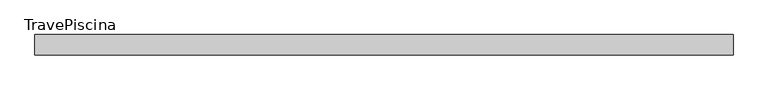
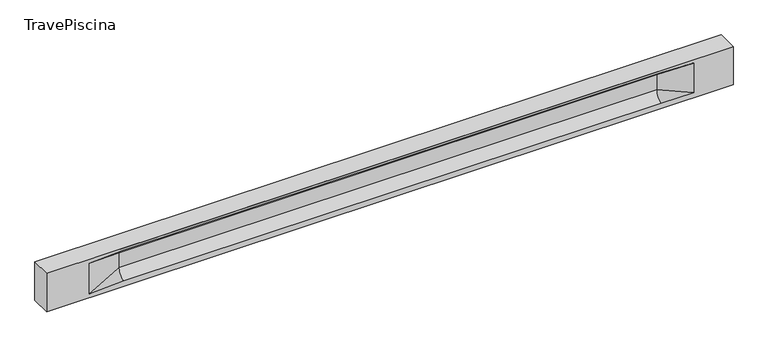
"""IFC4 building model written with IfcOpenShell, lengths in millimetres: beam geometry, TravePiscina."""

from ifc_helpers import new_model, si_unit, frame, origin, place, context, project, spatial, polyline, circle_curve, source, transform, mapped, element, save
from ifc_brep_helpers import plane_surface, revolved_surface, spline_surface, advanced_brep


def travepiscina_2fc32cc6(model_context):
    return source(origin(), model_context, "Body", "AdvancedBrep", [
        advanced_brep(
        [(8480.5, -250.0, 500.0), (8480.5, -250.0, -500.0), (8480.5, 250.0, -500.0), (8480.5, 250.0, 500.0), (-8480.5, -250.0, 500.0), (-8480.5, -250.0, -500.0), (7505.5, -250.0, -362.0), (6705.5, -250.0, -360.0), (-6580.5, -250.0, -360.0), (-7430.5, -250.0, -400.0), (-7430.5, -250.0, 400.0), (-6580.5, -250.0, 435.0), (6705.5, -250.0, 435.0), (7505.5, -250.0, 400.0), (-8480.5, 250.0, -500.0), (-8480.5, 250.0, 500.0), (7505.5, 250.0, 400.0), (6705.5, 250.0, 435.0), (-6580.5, 250.0, 435.0), (-7430.5, 250.0, 400.0), (-7430.5, 250.0, -400.0), (-6580.5, 250.0, -360.0), (6705.5, 250.0, -360.0), (7505.5, 250.0, -362.0), (6705.5, 155.0, 405.0), (-6580.5, 155.0, 405.0), (-6580.5, -60.0, 262.777021), (6705.5, -60.0, 262.777021), (6705.5, -155.0, 405.0), (-6580.5, -155.0, 405.0), (-6580.5, 60.0, 262.777021), (6705.5, 60.0, 262.777021), (6705.5, 60.0, -120.0), (-6580.5, 60.0, -120.0), (-6580.5, -60.0, -120.0), (6705.5, -60.0, -120.0)],
        [
            (0, 1),
            (1, 2),
            (2, 3),
            (3, 0),
            (0, 4),
            (4, 5),
            (5, 1),
            (6, 7),
            (7, 8),
            (8, 9),
            (9, 10),
            (10, 11),
            (11, 12),
            (12, 13),
            (13, 6),
            (5, 14),
            (14, 2),
            (14, 15),
            (15, 3),
            (16, 17),
            (17, 18),
            (18, 19),
            (19, 20),
            (20, 21),
            (21, 22),
            (22, 23),
            (23, 16),
            (15, 4),
            (17, 24),
            (24, 25),
            (25, 18),
            (26, 27),
            (27, 28, circle_curve(frame((6705.5, -213.9598725, 262.777021), z_axis=(1.0, 0.0, 0.0), x_axis=(0.0, 1.0, 0.0)), 153.9598725)),
            (28, 29),
            (29, 26, circle_curve(frame((-6580.5, -213.9598725, 262.777021), z_axis=(-1.0, 0.0, 0.0), x_axis=(0.0, 1.0, 0.0)), 153.9598725)),
            (30, 31),
            (31, 32),
            (32, 33),
            (33, 30),
            (28, 12),
            (11, 29),
            (34, 35),
            (35, 27),
            (26, 34),
            (25, 19),
            (22, 32, circle_curve(frame((6705.5, 306.5789474, -120.0), z_axis=(-1.0, 0.0, 0.0), x_axis=(0.0, 1.0, 0.0)), 246.5789474)),
            (32, 23),
            (10, 29),
            (10, 26),
            (13, 28),
            (27, 13),
            (30, 19),
            (25, 30, circle_curve(frame((-6580.5, 213.9598725, 262.777021), z_axis=(1.0, 0.0, 0.0), x_axis=(0.0, 1.0, 0.0)), 153.9598725)),
            (9, 34),
            (8, 34, circle_curve(frame((-6580.5, -306.5789474, -120.0), z_axis=(1.0, 0.0, 0.0), x_axis=(0.0, 1.0, 0.0)), 246.5789474)),
            (20, 33),
            (33, 21, circle_curve(frame((-6580.5, 306.5789474, -120.0), z_axis=(1.0, 0.0, 0.0), x_axis=(0.0, 1.0, 0.0)), 246.5789474)),
            (35, 6),
            (35, 7, circle_curve(frame((6705.5, -306.5789474, -120.0), z_axis=(-1.0, 0.0, 0.0), x_axis=(0.0, 1.0, 0.0)), 246.5789474)),
            (31, 16),
            (31, 24, circle_curve(frame((6705.5, 213.9598725, 262.777021), z_axis=(-1.0, 0.0, 0.0), x_axis=(0.0, 1.0, 0.0)), 153.9598725)),
            (24, 16),
        ],
        [
            plane_surface(frame((8480.5, 0.0, 0.0), z_axis=(1.0, 0.0, 0.0), x_axis=(0.0, 0.0, 1.0))),
            plane_surface(frame((8480.5, -250.0, 500.0), z_axis=(0.0, -1.0, 0.0), x_axis=(-1.0, 0.0, 0.0))),
            plane_surface(frame((8480.5, -250.0, -500.0), z_axis=(0.0, 0.0, -1.0), x_axis=(-1.0, 0.0, 0.0))),
            plane_surface(frame((8480.5, 250.0, -500.0), z_axis=(0.0, 1.0, 0.0), x_axis=(-1.0, 0.0, 0.0))),
            plane_surface(frame((8480.5, 250.0, 500.0), z_axis=(0.0, 0.0, 1.0), x_axis=(-1.0, 0.0, 0.0))),
            plane_surface(frame((-6580.5, 250.0, 435.0), z_axis=(0.0, 0.30113136793710954, -0.9535826651341378), x_axis=(1.0, 0.0, 0.0))),
            plane_surface(frame((-8480.5, 0.0, 0.0), z_axis=(-1.0, 0.0, 0.0), x_axis=(0.0, 0.0, 1.0))),
            revolved_surface(polyline([(6705.5, -60.0, 262.777021), (-6580.5, -60.0, 262.777021)]), (-6580.5, -213.9598725, 262.777021), (1.0, 0.0, 0.0)),
            plane_surface(frame((-6580.5, 60.0, 262.777021), z_axis=(0.0, 1.0, 0.0), x_axis=(1.0, 0.0, 0.0))),
            plane_surface(frame((-6580.5, -155.0, 405.0), z_axis=(0.0, -0.30113136793710693, -0.9535826651341387), x_axis=(1.0, 0.0, 0.0))),
            plane_surface(frame((-6580.5, -60.0, -120.0), z_axis=(0.0, -1.0, 0.0), x_axis=(1.0, 0.0, 0.0))),
            plane_surface(frame((-7430.5, 250.0, 400.0), z_axis=(0.03923493491469455, 0.30089950084952793, -0.9528484193567961), x_axis=(0.0, 0.9535826651341378, 0.30113136793710954))),
            spline_surface(2, 1, [[(6705.5, 250.0, -360.0), (7505.5, 250.0, -362.0)], [(6705.5, 60.00000002887427, -315.20833329480604), (7505.5, 250.0, -362.0)], [(6705.5, 60.0, -120.0), (7505.5, 250.0, -362.0)]], [3, 3], [2, 2], [0.0, 1.0], [0.0, 1.0], weights=[[1.0, 1.0], [0.7840458245391329, 0.7840458245391329], [1.0, 1.0]]),
            plane_surface(frame((-7430.5, -250.0, 400.0), z_axis=(0.039234934914694576, -0.3008995008495253, -0.952848419356797), x_axis=(0.0, 0.9535826651341387, -0.30113136793710693))),
            spline_surface(2, 1, [[(-7430.5, -250.0, 400.0), (-6580.5, -155.0, 405.0)], [(-7430.5, -250.0, 400.0), (-6580.5, -60.00000008030692, 365.6168572114734)], [(-7430.5, -250.0, 400.0), (-6580.5, -60.0, 262.777021)]], [3, 3], [2, 2], [0.0, 1.0], [0.0, 1.0], weights=[[1.0, 1.0], [0.8315515924557569, 0.8315515924557569], [1.0, 1.0]]),
            spline_surface(2, 1, [[(6705.5, -155.0, 405.0), (7505.5, -250.0, 400.0)], [(6705.5, -60.00000008030692, 365.6168572114734), (7505.5, -250.0, 400.0)], [(6705.5, -60.0, 262.777021), (7505.5, -250.0, 400.0)]], [3, 3], [2, 2], [0.0, 1.0], [0.0, 1.0], weights=[[1.0, 1.0], [0.8315515924557569, 0.8315515924557569], [1.0, 1.0]]),
            plane_surface(frame((6705.5, -202.5, 420.0), z_axis=(-0.041682982855687514, -0.30086965068766125, -0.9527538938442274), x_axis=(0.0, 0.9535826651341387, -0.30113136793710693))),
            spline_surface(2, 1, [[(-7430.5, 250.0, 400.0), (-6580.5, 60.0, 262.777021)], [(-7430.5, 250.0, 400.0), (-6580.5, 59.99999995452379, 365.6168572954922)], [(-7430.5, 250.0, 400.0), (-6580.5, 155.0, 405.0)]], [3, 3], [2, 2], [0.0, 1.0], [0.0, 1.0], weights=[[1.0, 1.0], [0.8315515921160737, 0.8315515921160737], [1.0, 1.0]]),
            plane_surface(frame((-7430.5, -250.0, 0.0), z_axis=(0.21814596370705333, -0.9759161534262669, 0.0), x_axis=(0.0, 0.0, -1.0))),
            spline_surface(2, 1, [[(-7430.5, -250.0, -400.0), (-6580.5, -60.0, -120.0)], [(-7430.5, -250.0, -400.0), (-6580.5, -59.99999998020837, -315.20833333333337)], [(-7430.5, -250.0, -400.0), (-6580.5, -250.0, -360.0)]], [3, 3], [2, 2], [0.0, 1.0], [0.0, 1.0], weights=[[1.0, 1.0], [0.7840458244617614, 0.7840458244617614], [1.0, 1.0]]),
            spline_surface(2, 1, [[(-7430.5, 250.0, -400.0), (-6580.5, 250.0, -360.0)], [(-7430.5, 250.0, -400.0), (-6580.5, 60.00000002887427, -315.20833329480604)], [(-7430.5, 250.0, -400.0), (-6580.5, 60.0, -120.0)]], [3, 3], [2, 2], [0.0, 1.0], [0.0, 1.0], weights=[[1.0, 1.0], [0.7840458245391329, 0.7840458245391329], [1.0, 1.0]]),
            plane_surface(frame((-7430.5, 250.0, 0.0), z_axis=(0.2181459637070493, 0.9759161534262679, 0.0), x_axis=(0.0, 0.0, 1.0))),
            plane_surface(frame((6705.5, -60.0, 71.3885105), z_axis=(-0.23107243079589768, -0.9729365507195602, 0.0), x_axis=(0.0, 0.0, -1.0))),
            spline_surface(2, 1, [[(6705.5, -60.0, -120.0), (7505.5, -250.0, -362.0)], [(6705.5, -59.99999998020837, -315.20833333333337), (7505.5, -250.0, -362.0)], [(6705.5, -250.0, -360.0), (7505.5, -250.0, -362.0)]], [3, 3], [2, 2], [0.0, 1.0], [0.0, 1.0], weights=[[1.0, 1.0], [0.7840458244617614, 0.7840458244617614], [1.0, 1.0]]),
            plane_surface(frame((6705.5, 60.0, 71.3885105), z_axis=(-0.2310724307958912, 0.9729365507195616, 0.0), x_axis=(0.0, 0.0, 1.0))),
            spline_surface(2, 1, [[(6705.5, 60.0, 262.777021), (7505.5, 250.0, 400.0)], [(6705.5, 59.99999995452379, 365.6168572954922), (7505.5, 250.0, 400.0)], [(6705.5, 155.0, 405.0), (7505.5, 250.0, 400.0)]], [3, 3], [2, 2], [0.0, 1.0], [0.0, 1.0], weights=[[1.0, 1.0], [0.8315515921160737, 0.8315515921160737], [1.0, 1.0]]),
            plane_surface(frame((6705.5, 202.5, 420.0), z_axis=(-0.04168298285568677, 0.30086965068766386, -0.9527538938442265), x_axis=(0.0, 0.9535826651341378, 0.30113136793710954))),
            revolved_surface(polyline([(6705.5, 367.919745, 262.777021), (-6580.5, 367.919745, 262.777021)]), (-6580.5, 213.9598725, 262.777021), (1.0, 0.0, 0.0)),
            revolved_surface(polyline([(6705.5, 553.1578948, -120.0), (-6580.5, 553.1578948, -120.0)]), (-6580.5, 306.5789474, -120.0), (1.0, 0.0, 0.0)),
            revolved_surface(polyline([(6705.5, -60.0, -120.0), (-6580.5, -60.0, -120.0)]), (-6580.5, -306.5789474, -120.0), (1.0, 0.0, 0.0)),
        ],
        [
            (0, [[1, 2, 3, 4]]),
            (1, [[-1, 5, 6, 7], [8, 9, 10, 11, 12, 13, 14, 15]]),
            (2, [[-2, -7, 16, 17]]),
            (3, [[-3, -17, 18, 19], [20, 21, 22, 23, 24, 25, 26, 27]]),
            (4, [[-5, -4, -19, 28]]),
            (5, [[-21, 29, 30, 31]]),
            (6, [[-28, -18, -16, -6]]),
            (7, [[32, 33, 34, 35]]),
            (8, [[36, 37, 38, 39]]),
            (9, [[-34, 40, -13, 41]]),
            (10, [[42, 43, -32, 44]]),
            (11, [[45, -22, -31]]),
            (12, [[-26, 46, 47]]),
            (13, [[-12, 48, -41]]),
            (14, [[-48, 49, -35]]),
            (15, [[50, -33, 51]]),
            (16, [[-14, -40, -50]]),
            (17, [[52, -45, 53]]),
            (18, [[-49, -11, 54, -44]]),
            (19, [[-54, -10, 55]]),
            (20, [[-24, 56, 57]]),
            (21, [[-52, -39, -56, -23]]),
            (22, [[-51, -43, 58, -15]]),
            (23, [[-58, 59, -8]]),
            (24, [[-47, -37, 60, -27]]),
            (25, [[-60, 61, 62]]),
            (26, [[-62, -29, -20]]),
            (27, [[-30, -61, -36, -53]]),
            (28, [[-38, -46, -25, -57]]),
            (29, [[-9, -59, -42, -55]]),
        ],
    ),
    ])


if __name__ == "__main__":
    model = new_model("IFC4")
    model_context = context("Model", 3, world=origin())
    ifc_project = project(units=[si_unit("LENGTHUNIT", "METRE", prefix="MILLI")], contexts=[model_context])
    site = spatial("IfcSite", under=ifc_project)
    building = spatial("IfcBuilding", under=site)
    placement = place(None, origin())
    travepiscina_shape = travepiscina_2fc32cc6(model_context)
    element("IfcBeam", 1, ObjectType="TravePiscina", at=placement, inside=building, context=model_context, shape_type="MappedRepresentation", body=[
        mapped(travepiscina_shape, transform((0.0, 0.0, 0.0), x_axis=(1.0, 0.0, 0.0), y_axis=(0.0, 1.0, 0.0), z_axis=(0.0, 0.0, 1.0))),
    ])
    save(model, "model.ifc")
